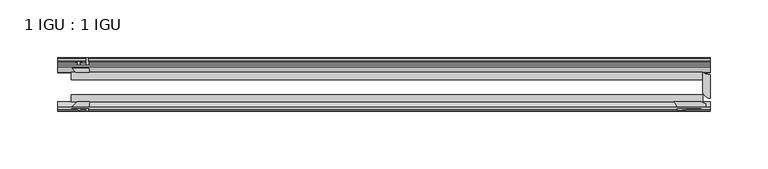
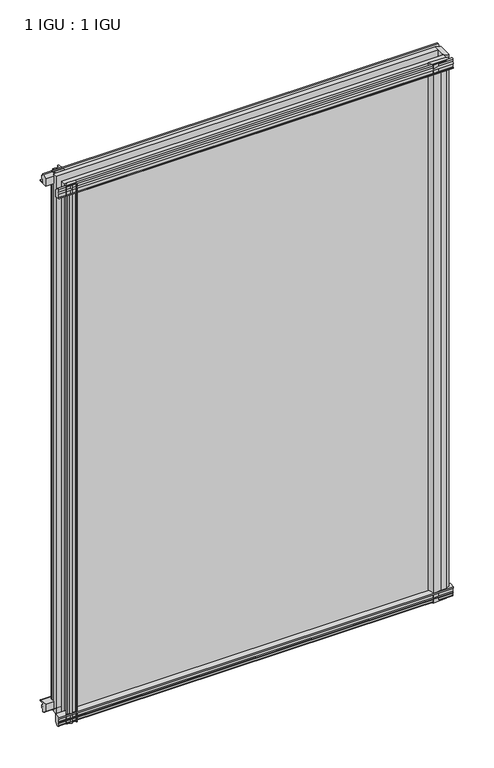
"""IFC4 building model written with IfcOpenShell, lengths in millimetres: plate geometry, 1 IGU : 1 IGU."""

from ifc_helpers import new_model, si_unit, point, frame, frame_2d, origin, place, context, project, spatial, polyline, circle_curve, trimmed, segment, composite_curve, outline, extrude, source, transform, mapped, element, save


def plate_1_igu_1_igu_86ecea4f(model_context):
    return source(origin(), model_context, "Body", "SweptSolid", [
        extrude(outline(composite_curve([segment(polyline([(-57.0900403, 1.731044), (-50.00625, 3.0983599), (-50.00625, -7.92383), (-54.1882244, -12.1058044)]), True, "CONTINUOUS"), segment(trimmed(circle_curve(frame_2d((-55.08625, -11.2077788)), 1.27), [point((-54.1882244, -12.1058044))], [point((-56.35625, -11.2077788))], False, "CARTESIAN"), True, "CONTINUOUS"), segment(polyline([(-56.35625, -11.2077788), (-56.35625, -8.0327788), (-57.835546, -5.4488186), (-56.35625, -5.1879788), (-56.35625, 0.2222212), (-57.65913, 0.0383748)]), True, "CONTINUOUS"), segment(trimmed(circle_curve(frame_2d((-56.9150839, 0.7302212)), 1.016), [point((-57.65913, 0.0383748))], [point((-57.0900403, 1.731044))], False, "CARTESIAN"), True, "CONTINUOUS")], self_intersect=False)), frame((-280.1239, 0.0, 0.0), z_axis=(1.0, 0.0, 0.0), x_axis=(0.0, 1.0, 0.0)), (0.0, 0.0, 1.0), 564.2864),
        extrude(outline(composite_curve([segment(polyline([(-24.60625, 2.5763839), (-12.8423053, 1.6478499)]), True, "CONTINUOUS"), segment(trimmed(circle_curve(frame_2d((-12.92225, 0.635)), 1.016), [point((-12.8423053, 1.6478499))], [point((-12.1291353, 0.0))], False, "CARTESIAN"), True, "CONTINUOUS"), segment(polyline([(-12.1291353, 0.0), (-18.25625, 0.0), (-18.25625, -4.953), (-15.9568457, -5.5691235), (-16.3325195, -4.1670901), (-15.4738114, -3.937), (-14.82725, -6.35), (-15.4738114, -8.763), (-16.3325195, -8.5329099), (-15.9568457, -7.1308765), (-18.25625, -7.747), (-18.25625, -12.7), (-20.28825, -12.7), (-24.60625, -9.1036931), (-24.60625, 2.5763839)]), True, "CONTINUOUS")], self_intersect=False)), frame((-280.1239, 0.0, 0.0), z_axis=(1.0, 0.0, 0.0), x_axis=(0.0, 1.0, 0.0)), (0.0, 0.0, 1.0), 564.2864),
        extrude(outline(composite_curve([segment(polyline([(-20.28825, 800.1), (-18.25625, 800.1), (-18.25625, 795.147), (-15.9568457, 794.5308765), (-16.3325195, 795.9329099), (-15.4738114, 796.163), (-14.82725, 793.75), (-15.4738114, 791.337), (-16.3325195, 791.5670901), (-15.9568457, 792.9691235), (-18.25625, 792.353), (-18.25625, 787.4), (-12.1291353, 787.4)]), True, "CONTINUOUS"), segment(trimmed(circle_curve(frame_2d((-12.92225, 786.765)), 1.016), [point((-12.1291353, 787.4))], [point((-12.8423053, 785.7521501))], False, "CARTESIAN"), True, "CONTINUOUS"), segment(polyline([(-12.8423053, 785.7521501), (-24.60625, 784.8236161), (-24.60625, 796.5036931), (-20.28825, 800.1)]), True, "CONTINUOUS")], self_intersect=False)), frame((-280.1239, 0.0, 0.0), z_axis=(1.0, 0.0, 0.0), x_axis=(0.0, 1.0, 0.0)), (0.0, 0.0, 1.0), 564.2864),
        extrude(outline(composite_curve([segment(trimmed(circle_curve(frame_2d((-56.9150839, 786.6697788)), 1.016), [point((-57.0900403, 785.668956))], [point((-57.65913, 787.3616252))], False, "CARTESIAN"), True, "CONTINUOUS"), segment(polyline([(-57.65913, 787.3616252), (-56.35625, 787.1777788), (-56.35625, 792.5879788), (-57.835546, 792.8488186), (-56.35625, 795.4327788), (-56.35625, 798.6077788)]), True, "CONTINUOUS"), segment(trimmed(circle_curve(frame_2d((-55.08625, 798.6077788)), 1.27), [point((-56.35625, 798.6077788))], [point((-54.1882244, 799.5058044))], False, "CARTESIAN"), True, "CONTINUOUS"), segment(polyline([(-54.1882244, 799.5058044), (-50.00625, 795.32383), (-50.00625, 784.3016401), (-57.0900403, 785.668956)]), True, "CONTINUOUS")], self_intersect=False)), frame((-280.1239, 0.0, 0.0), z_axis=(1.0, 0.0, 0.0), x_axis=(0.0, 1.0, 0.0)), (0.0, 0.0, 1.0), 564.2864),
        extrude(outline(composite_curve([segment(polyline([(280.1239, -54.14645), (274.9011192, -56.35625), (267.0175, -56.35625), (255.5875, -57.5575914)]), True, "CONTINUOUS"), segment(trimmed(circle_curve(frame_2d((245.6399732, -57.0773768)), 9.9591112), [point((255.5875, -57.5575914))], [point((252.6530368, -50.00625))], True, "CARTESIAN"), True, "CONTINUOUS"), segment(polyline([(252.6530368, -50.00625), (276.3418863, -50.00625), (280.1239, -51.60645), (280.1239, -54.14645)]), True, "CONTINUOUS")], self_intersect=False)), frame((0.0, 0.0, -12.7), z_axis=(0.0, 0.0, 1.0), x_axis=(1.0, 0.0, 0.0)), (0.0, 0.0, 1.0), 812.8),
        extrude(outline(composite_curve([segment(trimmed(circle_curve(frame_2d((284.1625, -40.48125)), 6.35), [point((284.1625, -46.83125))], [point((277.8125, -40.48125))], False, "CARTESIAN"), True, "CONTINUOUS"), segment(polyline([(277.8125, -40.48125), (277.8125, -24.60625)]), True, "CONTINUOUS"), segment(trimmed(circle_curve(frame_2d((284.1625, -14.2606186)), 12.1389698), [point((277.8125, -24.60625))], [point((284.1625, -26.3995885))], True, "CARTESIAN"), True, "CONTINUOUS"), segment(polyline([(284.1625, -26.3995885), (284.1625, -46.83125)]), True, "CONTINUOUS")], self_intersect=False)), frame((0.0, 0.0, -12.7), z_axis=(0.0, 0.0, 1.0), x_axis=(1.0, 0.0, 0.0)), (0.0, 0.0, 1.0), 812.8),
        extrude(outline(composite_curve([segment(polyline([(-253.0111161, -24.60625), (-264.6911931, -24.60625), (-268.2875, -20.28825), (-268.2875, -18.25625), (-263.3345, -18.25625), (-262.7183765, -15.9568457), (-264.1204099, -16.3325195), (-264.3505, -15.4738114), (-261.9375, -14.82725), (-259.5245, -15.4738114), (-259.7545901, -16.3325195), (-261.1566235, -15.9568457), (-260.5405, -18.25625), (-255.5875, -18.25625), (-255.5875, -12.1291353)]), True, "CONTINUOUS"), segment(trimmed(circle_curve(frame_2d((-254.9525, -12.92225)), 1.016), [point((-255.5875, -12.1291353))], [point((-253.9396501, -12.8423053))], False, "CARTESIAN"), True, "CONTINUOUS"), segment(polyline([(-253.9396501, -12.8423053), (-253.0111161, -24.60625)]), True, "CONTINUOUS")], self_intersect=False)), frame((0.0, 0.0, -12.7), z_axis=(0.0, 0.0, 1.0), x_axis=(1.0, 0.0, 0.0)), (0.0, 0.0, 1.0), 812.8),
        extrude(outline(composite_curve([segment(polyline([(-252.4891401, -50.00625), (-253.856456, -57.0900403)]), True, "CONTINUOUS"), segment(trimmed(circle_curve(frame_2d((-254.8572788, -56.9150839)), 1.016), [point((-253.856456, -57.0900403))], [point((-255.5491252, -57.65913))], False, "CARTESIAN"), True, "CONTINUOUS"), segment(polyline([(-255.5491252, -57.65913), (-255.3652788, -56.35625), (-260.7754788, -56.35625), (-261.0363186, -57.835546), (-263.6202788, -56.35625), (-266.7952788, -56.35625)]), True, "CONTINUOUS"), segment(trimmed(circle_curve(frame_2d((-266.7952788, -55.08625)), 1.27), [point((-266.7952788, -56.35625))], [point((-267.6933044, -54.1882244))], False, "CARTESIAN"), True, "CONTINUOUS"), segment(polyline([(-267.6933044, -54.1882244), (-263.51133, -50.00625), (-252.4891401, -50.00625)]), True, "CONTINUOUS")], self_intersect=False)), frame((0.0, 0.0, -12.7), z_axis=(0.0, 0.0, 1.0), x_axis=(1.0, 0.0, 0.0)), (0.0, 0.0, 1.0), 812.8),
        extrude(outline(polyline([(-268.2875, -24.60625), (277.8125, -24.60625), (277.8125, -30.95625), (-268.2875, -30.95625), (-268.2875, -24.60625)])), frame((0.0, 0.0, -12.7), z_axis=(0.0, 0.0, 1.0), x_axis=(1.0, 0.0, 0.0)), (0.0, 0.0, 1.0), 812.8),
        extrude(outline(polyline([(277.8125, -43.65625), (277.8125, -50.00625), (-268.2875, -50.00625), (-268.2875, -43.65625), (277.8125, -43.65625)])), frame((0.0, 0.0, -12.7), z_axis=(0.0, 0.0, 1.0), x_axis=(1.0, 0.0, 0.0)), (0.0, 0.0, 1.0), 812.8),
    ])


if __name__ == "__main__":
    model = new_model("IFC4")
    model_context = context("Model", 3, world=origin())
    ifc_project = project(units=[si_unit("LENGTHUNIT", "METRE", prefix="MILLI")], contexts=[model_context])
    site = spatial("IfcSite", under=ifc_project)
    building = spatial("IfcBuilding", under=site)
    placement = place(None, origin())
    plate_1_igu_1_igu_shape = plate_1_igu_1_igu_86ecea4f(model_context)
    element("IfcPlate", 1, ObjectType="1 IGU : 1 IGU", at=placement, inside=building, context=model_context, shape_type="MappedRepresentation", body=[
        mapped(plate_1_igu_1_igu_shape, transform((0.0, 0.0, 0.0), x_axis=(1.0, 0.0, 0.0), y_axis=(0.0, 1.0, 0.0), z_axis=(0.0, 0.0, 1.0))),
    ])
    save(model, "model.ifc")
